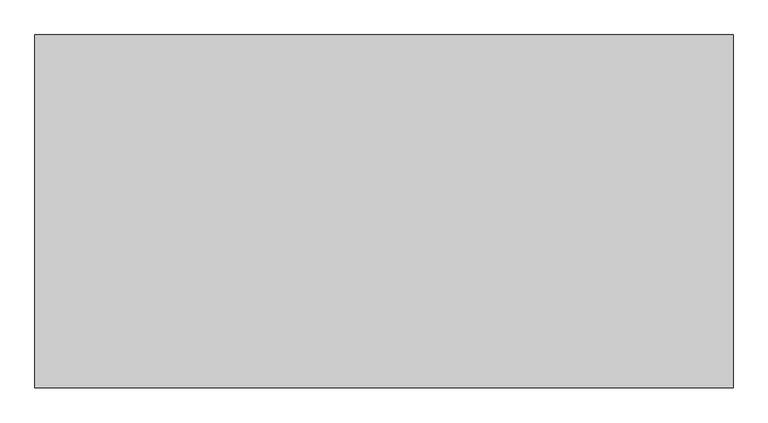
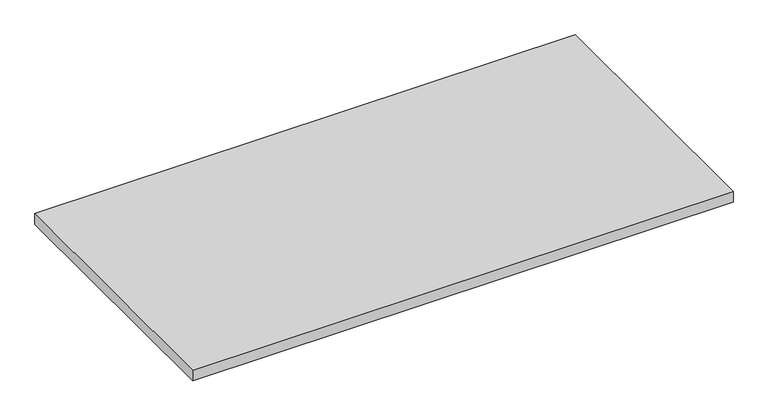
"""IFC4 building model written with IfcOpenShell, lengths in millimetres: furniture geometry."""

from ifc_helpers import new_model, si_unit, frame, origin, place, context, project, spatial, polyline, outline, extrude, source, transform, mapped, element, save


def furniture_fa2ef280(model_context):
    return source(origin(), model_context, "Body", "SweptSolid", [
        extrude(outline(polyline([(1219.2, 0.0), (1219.2, -615.95), (0.0, -615.95), (0.0, 0.0), (1219.2, 0.0)])), frame((0.0, 0.0, 892.175), z_axis=(0.0, 0.0, 1.0), x_axis=(1.0, 0.0, 0.0)), (0.0, 0.0, 1.0), 25.4),
    ])


if __name__ == "__main__":
    model = new_model("IFC4")
    model_context = context("Model", 3, world=origin())
    ifc_project = project(units=[si_unit("LENGTHUNIT", "METRE", prefix="MILLI")], contexts=[model_context])
    site = spatial("IfcSite", under=ifc_project)
    building = spatial("IfcBuilding", under=site)
    placement = place(None, origin())
    furniture_shape = furniture_fa2ef280(model_context)
    element("IfcFurniture", 1, at=placement, inside=building, context=model_context, shape_type="MappedRepresentation", body=[
        mapped(furniture_shape, transform((0.0, 0.0, 0.0), x_axis=(1.0, 0.0, 0.0), y_axis=(0.0, 1.0, 0.0), z_axis=(0.0, 0.0, 1.0))),
    ])
    save(model, "model.ifc")
